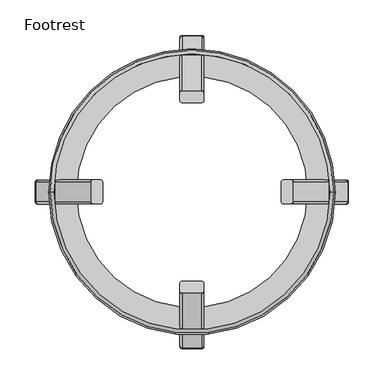
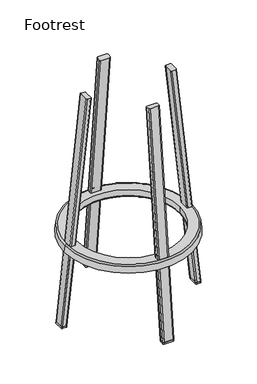
"""IFC4 building model written with IfcOpenShell, lengths in millimetres: furniture geometry, Footrest."""

from ifc_helpers import new_model, si_unit, point, frame, origin, place, context, project, spatial, polyline, circle_curve, ellipse_curve, trimmed, source, transform, mapped, element, save
from ifc_brep_helpers import plane_surface, cylinder_surface, revolved_surface, advanced_brep


def footrest_73dcc5fb(model_context):
    return source(origin(), model_context, "Body", "AdvancedBrep", [
        advanced_brep(
        [(17.0, -206.3178808, 5.0), (14.0, -203.301356, 5.0), (-14.0, -203.301356, 5.0), (-17.0, -206.3178808, 5.0), (-17.0, -217.3784719, 5.0), (-14.0, -220.3949967, 5.0), (14.0, -220.3949967, 5.0), (17.0, -217.3784719, 5.0), (-17.0, -217.9039931, 0.0), (-14.0, -220.9205179, 0.0), (-17.0, -206.843402, 0.0), (-14.0, -203.8268771, 0.0), (14.0, -203.8268771, 0.0), (17.0, -206.843402, 0.0), (17.0, -217.9039931, 0.0), (14.0, -220.9205179, 0.0)],
        [
            (0, 1, ellipse_curve(frame((14.0, -206.3178808, 5.0), z_axis=(0.0, 0.0, 1.0), x_axis=(0.0, -1.0, 0.0)), 3.0165248, 3.0)),
            (1, 2),
            (2, 3, ellipse_curve(frame((-14.1882885, -206.1285552, 5.0), z_axis=(0.0, 0.0, 1.0), x_axis=(0.0, -1.0, 0.0)), 2.8335313, 2.8180089)),
            (3, 4),
            (4, 5, ellipse_curve(frame((-14.0, -217.3784719, 5.0), z_axis=(0.0, 0.0, 1.0), x_axis=(0.0, -1.0, 0.0)), 3.0165248, 3.0)),
            (5, 6),
            (6, 7, ellipse_curve(frame((14.0, -217.3784719, 5.0), z_axis=(0.0, 0.0, 1.0), x_axis=(0.0, -1.0, 0.0)), 3.0165248, 3.0)),
            (7, 0),
            (4, 8),
            (8, 9, ellipse_curve(frame((-14.0, -217.9039931, 0.0), z_axis=(0.0, 0.0, 1.0), x_axis=(0.0, -1.0, 0.0)), 3.0165248, 3.0)),
            (9, 5),
            (3, 10),
            (10, 8),
            (2, 11),
            (11, 10, ellipse_curve(frame((-14.1882885, -206.6540763, 0.0), z_axis=(0.0, 0.0, 1.0), x_axis=(0.0, -1.0, 0.0)), 2.8335313, 2.8180089)),
            (1, 12),
            (12, 11),
            (12, 13, ellipse_curve(frame((14.0, -206.843402, 0.0), z_axis=(0.0, 0.0, -1.0), x_axis=(0.0, -1.0, 0.0)), 3.0165248, 3.0)),
            (13, 14),
            (14, 15, ellipse_curve(frame((14.0, -217.9039931, 0.0), z_axis=(0.0, 0.0, -1.0), x_axis=(0.0, -1.0, 0.0)), 3.0165248, 3.0)),
            (15, 9),
            (0, 13),
            (7, 14),
            (6, 15),
        ],
        [
            plane_surface(frame((-237.3802631, -240.5411086, 5.0), z_axis=(0.0, 0.0, 1.0), x_axis=(0.0, 1.0, 0.0))),
            cylinder_surface(frame((-14.0, -217.9369522, -0.3135854), z_axis=(0.0, -0.10452846326766246, -0.9945218953682724), x_axis=(0.0, -0.9945218953682725, 0.10452846326766249)), 3.0),
            plane_surface(frame((-17.0, -217.9369522, -0.3135854), z_axis=(-1.0, 0.0, 0.0), x_axis=(0.0, 0.9945218953682724, -0.10452846326766255))),
            cylinder_surface(frame((-14.1882885, -206.8099543, -1.48308), z_axis=(0.0, -0.10452846326766246, -0.9945218953682724), x_axis=(-0.9977653042872745, -0.06645012160662113, 0.006984189214775724)), 2.8180089),
            plane_surface(frame((-14.0, -204.0136457, -1.7769839), z_axis=(0.0, 0.9945218953682724, -0.10452846326766246), x_axis=(1.0, 0.0, 0.0))),
            plane_surface(frame((18.6818902, -196.7185949, 0.0), z_axis=(0.0, 0.0, -1.0), x_axis=(0.0, -1.0, 0.0))),
            cylinder_surface(frame((14.0, -206.9972114, -1.4633985), z_axis=(0.0, -0.10452846326766246, -0.9945218953682724), x_axis=(0.0, 0.9945218953682724, -0.10452846326766246)), 3.0),
            plane_surface(frame((17.0, -206.9972114, -1.4633985), z_axis=(1.0, 0.0, 0.0), x_axis=(0.0, -0.9945218953682724, 0.10452846326766246))),
            cylinder_surface(frame((14.0, -217.9369522, -0.3135854), z_axis=(0.0, -0.10452846326766246, -0.9945218953682724), x_axis=(1.0, 0.0, 0.0)), 3.0),
            plane_surface(frame((14.0, -220.9205179, 0.0), z_axis=(0.0, -0.9945218953682724, 0.10452846326766246), x_axis=(-1.0, 0.0, 0.0))),
        ],
        [
            (0, [[1, 2, 3, 4, 5, 6, 7, 8]]),
            (1, [[-5, 9, 10, 11]]),
            (2, [[-4, 12, 13, -9]]),
            (3, [[-3, 14, 15, -12]]),
            (4, [[-2, 16, 17, -14]]),
            (5, [[-10, -13, -15, -17, 18, 19, 20, 21]]),
            (6, [[-1, 22, -18, -16]]),
            (7, [[-8, 23, -19, -22]]),
            (8, [[-7, 24, -20, -23]]),
            (9, [[-6, -11, -21, -24]]),
        ],
    ),
        advanced_brep(
        [(-17.0, 217.9039931, 0.0), (-14.0, 220.9205179, 0.0), (14.0, 220.9205179, 0.0), (17.0, 217.9039931, 0.0), (17.0, 206.843402, 0.0), (14.0, 203.8268771, 0.0), (-14.0, 203.8268771, 0.0), (-17.0, 206.843402, 0.0), (-14.0, 203.301356, 5.0), (-17.0, 206.3178808, 5.0), (14.0, 203.301356, 5.0), (17.0, 206.3178808, 5.0), (17.0, 217.3784719, 5.0), (14.0, 220.3949967, 5.0), (-14.0, 220.3949967, 5.0), (-17.0, 217.3784719, 5.0)],
        [
            (0, 1, ellipse_curve(frame((-14.0, 217.9039931, 0.0), z_axis=(0.0, 0.0, -1.0), x_axis=(0.0, -1.0, 0.0)), 3.0165248, 3.0)),
            (1, 2),
            (2, 3, ellipse_curve(frame((14.0, 217.9039931, 0.0), z_axis=(0.0, 0.0, -1.0), x_axis=(0.0, -1.0, 0.0)), 3.0165248, 3.0)),
            (3, 4),
            (4, 5, ellipse_curve(frame((14.0, 206.843402, 0.0), z_axis=(0.0, 0.0, -1.0), x_axis=(0.0, -1.0, 0.0)), 3.0165248, 3.0)),
            (5, 6),
            (6, 7, ellipse_curve(frame((-14.1882885, 206.6540763, 0.0), z_axis=(0.0, 0.0, -1.0), x_axis=(0.0, -1.0, 0.0)), 2.8335313, 2.8180089)),
            (7, 0),
            (8, 9, ellipse_curve(frame((-14.1882885, 206.1285552, 5.0), z_axis=(0.0, 0.0, -1.0), x_axis=(0.0, -1.0, 0.0)), 2.8335313, 2.8180089)),
            (9, 7),
            (6, 8),
            (10, 8),
            (5, 10),
            (11, 10, ellipse_curve(frame((14.0, 206.3178808, 5.0), z_axis=(0.0, 0.0, -1.0), x_axis=(0.0, -1.0, 0.0)), 3.0165248, 3.0)),
            (4, 11),
            (12, 11),
            (3, 12),
            (13, 12, ellipse_curve(frame((14.0, 217.3784719, 5.0), z_axis=(0.0, 0.0, -1.0), x_axis=(0.0, -1.0, 0.0)), 3.0165248, 3.0)),
            (2, 13),
            (14, 13),
            (1, 14),
            (15, 14, ellipse_curve(frame((-14.0, 217.3784719, 5.0), z_axis=(0.0, 0.0, -1.0), x_axis=(0.0, -1.0, 0.0)), 3.0165248, 3.0)),
            (0, 15),
            (9, 15),
        ],
        [
            plane_surface(frame((18.6818902, 196.7185949, 0.0), z_axis=(0.0, 0.0, -1.0), x_axis=(0.0, 1.0, 0.0))),
            cylinder_surface(frame((-14.1882885, 206.8099543, -1.48308), z_axis=(0.0, -0.10452846326766246, 0.9945218953682724), x_axis=(-0.9977653042872745, 0.06645012160662113, 0.006984189214775724)), 2.8180089),
            plane_surface(frame((-14.0, 204.0136457, -1.7769839), z_axis=(0.0, -0.9945218953682724, -0.10452846326766246), x_axis=(1.0, 0.0, 0.0))),
            cylinder_surface(frame((14.0, 206.9972114, -1.4633985), z_axis=(0.0, -0.10452846326766246, 0.9945218953682724), x_axis=(0.0, -0.9945218953682724, -0.10452846326766246)), 3.0),
            plane_surface(frame((17.0, 206.9972114, -1.4633985), z_axis=(1.0, 0.0, 0.0), x_axis=(0.0, 0.9945218953682724, 0.10452846326766246))),
            cylinder_surface(frame((14.0, 217.9369522, -0.3135854), z_axis=(0.0, -0.10452846326766246, 0.9945218953682724), x_axis=(1.0, 0.0, 0.0)), 3.0),
            plane_surface(frame((14.0, 220.9205179, 0.0), z_axis=(0.0, 0.9945218953682724, 0.10452846326766246), x_axis=(-1.0, 0.0, 0.0))),
            cylinder_surface(frame((-14.0, 217.9369522, -0.3135854), z_axis=(0.0, -0.10452846326766246, 0.9945218953682724), x_axis=(0.0, 0.9945218953682725, 0.10452846326766249)), 3.0),
            plane_surface(frame((-17.0, 217.9369522, -0.3135854), z_axis=(-1.0, 0.0, 0.0), x_axis=(0.0, -0.9945218953682724, -0.10452846326766255))),
            plane_surface(frame((-237.3802631, -240.5411086, 5.0), z_axis=(0.0, 0.0, 1.0), x_axis=(0.0, 1.0, 0.0))),
        ],
        [
            (0, [[1, 2, 3, 4, 5, 6, 7, 8]]),
            (1, [[9, 10, -7, 11]]),
            (2, [[12, -11, -6, 13]]),
            (3, [[14, -13, -5, 15]]),
            (4, [[16, -15, -4, 17]]),
            (5, [[18, -17, -3, 19]]),
            (6, [[20, -19, -2, 21]]),
            (7, [[22, -21, -1, 23]]),
            (8, [[24, -23, -8, -10]]),
            (9, [[-16, -18, -20, -22, -24, -9, -12, -14]]),
        ],
    ),
        advanced_brep(
        [(220.3949967, 14.0, 5.0), (217.3784719, 17.0, 5.0), (206.3178808, 17.0, 5.0), (203.301356, 14.0, 5.0), (203.301356, -14.0, 5.0), (206.3178808, -17.0, 5.0), (217.3784719, -17.0, 5.0), (220.3949967, -14.0, 5.0), (203.8268771, -14.0, 0.0), (206.843402, -17.0, 0.0), (203.8268771, 14.0, 0.0), (206.843402, 17.0, 0.0), (217.9039931, 17.0, 0.0), (220.9205179, 14.0, 0.0), (220.9205179, -14.0, 0.0), (217.9039931, -17.0, 0.0)],
        [
            (0, 1, ellipse_curve(frame((217.3784719, 14.0, 5.0), z_axis=(0.0, 0.0, 1.0), x_axis=(-1.0, 0.0, 0.0)), 3.0165248, 3.0)),
            (1, 2),
            (2, 3, ellipse_curve(frame((206.1285552, 14.1882885, 5.0), z_axis=(0.0, 0.0, 1.0), x_axis=(-1.0, 0.0, 0.0)), 2.8335313, 2.8180089)),
            (3, 4),
            (4, 5, ellipse_curve(frame((206.3178808, -14.0, 5.0), z_axis=(0.0, 0.0, 1.0), x_axis=(-1.0, 0.0, 0.0)), 3.0165248, 3.0)),
            (5, 6),
            (6, 7, ellipse_curve(frame((217.3784719, -14.0, 5.0), z_axis=(0.0, 0.0, 1.0), x_axis=(-1.0, 0.0, 0.0)), 3.0165248, 3.0)),
            (7, 0),
            (4, 8),
            (8, 9, ellipse_curve(frame((206.843402, -14.0, 0.0), z_axis=(0.0, 0.0, 1.0), x_axis=(-1.0, 0.0, 0.0)), 3.0165248, 3.0)),
            (9, 5),
            (3, 10),
            (10, 8),
            (2, 11),
            (11, 10, ellipse_curve(frame((206.6540763, 14.1882885, 0.0), z_axis=(0.0, 0.0, 1.0), x_axis=(-1.0, 0.0, 0.0)), 2.8335313, 2.8180089)),
            (1, 12),
            (12, 11),
            (12, 13, ellipse_curve(frame((217.9039931, 14.0, 0.0), z_axis=(0.0, 0.0, -1.0), x_axis=(-1.0, 0.0, 0.0)), 3.0165248, 3.0)),
            (13, 14),
            (14, 15, ellipse_curve(frame((217.9039931, -14.0, 0.0), z_axis=(0.0, 0.0, -1.0), x_axis=(-1.0, 0.0, 0.0)), 3.0165248, 3.0)),
            (15, 9),
            (0, 13),
            (7, 14),
            (6, 15),
        ],
        [
            plane_surface(frame((-237.3802631, -240.5411086, 5.0), z_axis=(0.0, 0.0, 1.0), x_axis=(0.0, 1.0, 0.0))),
            cylinder_surface(frame((206.9972114, -14.0, -1.4633985), z_axis=(-0.10452846326766246, 0.0, 0.9945218953682724), x_axis=(-0.9945218953682724, 0.0, -0.10452846326766246)), 3.0),
            plane_surface(frame((204.0136457, 14.0, -1.7769839), z_axis=(-0.9945218953682724, 0.0, -0.10452846326766246), x_axis=(0.0, -1.0, 0.0))),
            cylinder_surface(frame((206.8099543, 14.1882885, -1.48308), z_axis=(-0.10452846326766246, 0.0, 0.9945218953682724), x_axis=(0.06645012160662157, 0.9977653042872745, 0.006984189214775724)), 2.8180089),
            plane_surface(frame((217.9369522, 17.0, -0.3135854), z_axis=(0.0, 1.0, 0.0), x_axis=(-0.9945218953682724, 0.0, -0.10452846326766255))),
            plane_surface(frame((196.7185949, -18.6818902, 0.0), z_axis=(0.0, 0.0, -1.0), x_axis=(1.0, 0.0, 0.0))),
            cylinder_surface(frame((217.9369522, 14.0, -0.3135854), z_axis=(-0.10452846326766246, 0.0, 0.9945218953682724), x_axis=(0.9945218953682725, 0.0, 0.10452846326766249)), 3.0),
            plane_surface(frame((220.9205179, -14.0, 0.0), z_axis=(0.9945218953682724, 0.0, 0.10452846326766246), x_axis=(0.0, 1.0, 0.0))),
            cylinder_surface(frame((217.9369522, -14.0, -0.3135854), z_axis=(-0.10452846326766246, 0.0, 0.9945218953682724), x_axis=(0.0, -1.0, 0.0)), 3.0),
            plane_surface(frame((206.9972114, -17.0, -1.4633985), z_axis=(0.0, -1.0, 0.0), x_axis=(0.9945218953682724, 0.0, 0.10452846326766246))),
        ],
        [
            (0, [[1, 2, 3, 4, 5, 6, 7, 8]]),
            (1, [[-5, 9, 10, 11]]),
            (2, [[-4, 12, 13, -9]]),
            (3, [[-3, 14, 15, -12]]),
            (4, [[-2, 16, 17, -14]]),
            (5, [[18, 19, 20, 21, -10, -13, -15, -17]]),
            (6, [[-1, 22, -18, -16]]),
            (7, [[-8, 23, -19, -22]]),
            (8, [[-7, 24, -20, -23]]),
            (9, [[-6, -11, -21, -24]]),
        ],
    ),
        advanced_brep(
        [(-220.3949967, -14.0, 5.0), (-220.3949967, 14.0, 5.0), (-220.9205179, 14.0, 0.0), (-220.9205179, -14.0, 0.0), (-217.3784719, -17.0, 5.0), (-217.9039931, -17.0, 0.0), (-206.3178808, -17.0, 5.0), (-206.843402, -17.0, 0.0), (-203.301356, -14.0, 5.0), (-203.8268771, -14.0, 0.0), (-217.9039931, 17.0, 0.0), (-206.843402, 17.0, 0.0), (-203.8268771, 14.0, 0.0), (-203.301356, 14.0, 5.0), (-206.3178808, 17.0, 5.0), (-217.3784719, 17.0, 5.0)],
        [
            (0, 1),
            (1, 2),
            (2, 3),
            (3, 0),
            (4, 0, ellipse_curve(frame((-217.3784719, -14.0, 5.0), z_axis=(0.0, 0.0, -1.0), x_axis=(-1.0, 0.0, 0.0)), 3.0165248, 3.0)),
            (3, 5, ellipse_curve(frame((-217.9039931, -14.0, 0.0), z_axis=(0.0, 0.0, 1.0), x_axis=(-1.0, 0.0, 0.0)), 3.0165248, 3.0)),
            (5, 4),
            (6, 4),
            (5, 7),
            (7, 6),
            (8, 6, ellipse_curve(frame((-206.3178808, -14.0, 5.0), z_axis=(0.0, 0.0, -1.0), x_axis=(-1.0, 0.0, 0.0)), 3.0165248, 3.0)),
            (7, 9, ellipse_curve(frame((-206.843402, -14.0, 0.0), z_axis=(0.0, 0.0, 1.0), x_axis=(-1.0, 0.0, 0.0)), 3.0165248, 3.0)),
            (9, 8),
            (2, 10, ellipse_curve(frame((-217.9039931, 14.0, 0.0), z_axis=(0.0, 0.0, -1.0), x_axis=(-1.0, 0.0, 0.0)), 3.0165248, 3.0)),
            (10, 11),
            (11, 12, ellipse_curve(frame((-206.6540763, 14.1882885, 0.0), z_axis=(0.0, 0.0, -1.0), x_axis=(-1.0, 0.0, 0.0)), 2.8335313, 2.8180089)),
            (12, 9),
            (13, 8),
            (12, 13),
            (14, 13, ellipse_curve(frame((-206.1285552, 14.1882885, 5.0), z_axis=(0.0, 0.0, -1.0), x_axis=(-1.0, 0.0, 0.0)), 2.8335313, 2.8180089)),
            (11, 14),
            (15, 14),
            (10, 15),
            (1, 15, ellipse_curve(frame((-217.3784719, 14.0, 5.0), z_axis=(0.0, 0.0, -1.0), x_axis=(-1.0, 0.0, 0.0)), 3.0165248, 3.0)),
        ],
        [
            plane_surface(frame((-220.9205179, -14.0, 0.0), z_axis=(-0.9945218953682724, 0.0, 0.10452846326766246), x_axis=(0.0, 1.0, 0.0))),
            cylinder_surface(frame((-217.9369522, -14.0, -0.3135854), z_axis=(-0.10452846326766246, 0.0, -0.9945218953682724), x_axis=(0.0, -1.0, 0.0)), 3.0),
            plane_surface(frame((-206.9972114, -17.0, -1.4633985), z_axis=(0.0, -1.0, 0.0), x_axis=(-0.9945218953682724, 0.0, 0.10452846326766246))),
            cylinder_surface(frame((-206.9972114, -14.0, -1.4633985), z_axis=(-0.10452846326766246, 0.0, -0.9945218953682724), x_axis=(0.9945218953682724, 0.0, -0.10452846326766246)), 3.0),
            plane_surface(frame((-196.7185949, -18.6818902, 0.0), z_axis=(0.0, 0.0, -1.0), x_axis=(-1.0, 0.0, 0.0))),
            plane_surface(frame((-204.0136457, 14.0, -1.7769839), z_axis=(0.9945218953682724, 0.0, -0.10452846326766246), x_axis=(0.0, -1.0, 0.0))),
            cylinder_surface(frame((-206.8099543, 14.1882885, -1.48308), z_axis=(-0.10452846326766246, 0.0, -0.9945218953682724), x_axis=(-0.06645012160662069, 0.9977653042872746, 0.006984189214775725)), 2.8180089),
            plane_surface(frame((-217.9369522, 17.0, -0.3135854), z_axis=(0.0, 1.0, 0.0), x_axis=(0.9945218953682724, 0.0, -0.10452846326766255))),
            cylinder_surface(frame((-217.9369522, 14.0, -0.3135854), z_axis=(-0.10452846326766246, 0.0, -0.9945218953682724), x_axis=(-0.9945218953682725, 0.0, 0.10452846326766249)), 3.0),
            plane_surface(frame((-237.3802631, -240.5411086, 5.0), z_axis=(0.0, 0.0, 1.0), x_axis=(0.0, 1.0, 0.0))),
        ],
        [
            (0, [[1, 2, 3, 4]]),
            (1, [[5, -4, 6, 7]]),
            (2, [[8, -7, 9, 10]]),
            (3, [[11, -10, 12, 13]]),
            (4, [[14, 15, 16, 17, -12, -9, -6, -3]]),
            (5, [[18, -13, -17, 19]]),
            (6, [[20, -19, -16, 21]]),
            (7, [[22, -21, -15, 23]]),
            (8, [[24, -23, -14, -2]]),
            (9, [[-11, -18, -20, -22, -24, -1, -5, -8]]),
        ],
    ),
        advanced_brep(
        [(202.077074, 0.0, 239.5), (199.9726095, 0.0, 259.5226423), (-199.9726095, 0.0, 259.5226423), (-202.077074, 0.0, 239.5), (163.0007615, 0.0, 244.412738), (168.0, 0.0, 239.5), (-168.0, 0.0, 239.5), (-163.0007615, 0.0, 244.412738), (162.7461399, 0.0, 264.0), (-162.7461399, 0.0, 264.0), (195.0, 0.0, 264.0), (-195.0, 0.0, 264.0)],
        [
            (0, 1),
            (1, 2, circle_curve(frame((0.0, 0.0, 259.5226423), z_axis=(0.0, 0.0, -1.0), x_axis=(1.0, 0.0, 0.0)), 199.9726095)),
            (2, 3),
            (3, 0, circle_curve(frame((0.0, 0.0, 239.5), z_axis=(0.0, 0.0, 1.0), x_axis=(1.0, 0.0, 0.0)), 202.077074)),
            (4, 5, circle_curve(frame((167.977827, 0.0, 244.4774366), z_axis=(0.0, -1.0, 0.0), x_axis=(1.0, 0.0, 0.0)), 4.977486)),
            (5, 6, circle_curve(frame((0.0, 0.0, 239.5), z_axis=(0.0, 0.0, -1.0), x_axis=(1.0, 0.0, 0.0)), 168.0)),
            (6, 7, circle_curve(frame((-167.977827, 0.0, 244.4774366), z_axis=(0.0, -1.0, 0.0), x_axis=(-1.0, 0.0, 0.0)), 4.977486)),
            (7, 4, circle_curve(frame((0.0, 0.0, 244.412738), z_axis=(0.0, 0.0, 1.0), x_axis=(1.0, 0.0, 0.0)), 163.0007615)),
            (4, 8),
            (8, 9, circle_curve(frame((0.0, 0.0, 264.0), z_axis=(0.0, 0.0, 1.0), x_axis=(1.0, 0.0, 0.0)), 162.7461399)),
            (9, 7),
            (7, 4, circle_curve(frame((0.0, 0.0, 244.412738), z_axis=(0.0, 0.0, -1.0), x_axis=(1.0, 0.0, 0.0)), 163.0007615)),
            (1, 10, circle_curve(frame((195.0, 0.0, 259.0), z_axis=(0.0, -0.9999999999999999, 0.0), x_axis=(0.9999999999999999, 0.0, 0.0)), 5.0)),
            (10, 11, circle_curve(frame((0.0, 0.0, 264.0), z_axis=(0.0, 0.0, -1.0), x_axis=(0.9999999999999999, 0.0, 0.0)), 195.0)),
            (11, 2, circle_curve(frame((-195.0, 0.0, 259.0), z_axis=(0.0, -0.9999999999999999, 0.0), x_axis=(-0.9999999999999999, 0.0, 0.0)), 5.0)),
            (1, 2, circle_curve(frame((0.0, 0.0, 259.5226423), z_axis=(0.0, 0.0, 1.0), x_axis=(0.9999999999999999, 0.0, 0.0)), 199.9726095)),
            (11, 10, circle_curve(frame((0.0, 0.0, 264.0), z_axis=(0.0, 0.0, -1.0), x_axis=(0.9999999999999999, 0.0, 0.0)), 195.0)),
            (8, 9, circle_curve(frame((0.0, 0.0, 264.0), z_axis=(0.0, 0.0, -1.0), x_axis=(1.0, 0.0, 0.0)), 162.7461399)),
            (6, 5, circle_curve(frame((0.0, 0.0, 239.5), z_axis=(0.0, 0.0, -1.0), x_axis=(1.0, 0.0, 0.0)), 168.0)),
            (3, 0, circle_curve(frame((0.0, 0.0, 239.5), z_axis=(0.0, 0.0, -1.0), x_axis=(1.0, 0.0, 0.0)), 202.077074)),
        ],
        [
            revolved_surface(polyline([(199.9726094928645, 0.0, 259.5226422999999), (202.077074, 0.0, 239.5)]), (0.0, 0.0, 2162.1349297), (0.0, 0.0, -1.0)),
            revolved_surface(trimmed(ellipse_curve(frame((167.977827, 0.0, 244.4774366), z_axis=(0.0, -1.0, 0.0), x_axis=(1.0, 0.0, 0.0)), 4.977486, 4.977486), [point((163.0007615, 0.0, 244.412738))], [point((168.0, 0.0, 239.5))], True, "CARTESIAN"), (0.0, 0.0, 244.4774366), (0.0, 0.0, 1.0)),
            revolved_surface(polyline([(163.0007615, 0.0, 244.41273799999908), (162.7461398945695, 0.0, 264.0)]), (0.0, 0.0, 12783.5632013), (0.0, 0.0, -1.0)),
            revolved_surface(trimmed(ellipse_curve(frame((195.0, 0.0, 259.0), z_axis=(0.0, -0.9999999999999999, 0.0), x_axis=(0.9999999999999999, 0.0, 0.0)), 5.0, 5.0), [point((199.9726095, 0.0, 259.5226423))], [point((195.0, 0.0, 264.0))], True, "CARTESIAN"), (0.0, 0.0, 259.0), (0.0, 0.0, 1.0)),
            plane_surface(frame((162.7461399, 0.0, 264.0), z_axis=(0.0, 0.0, 1.0), x_axis=(1.0, 0.0, 0.0))),
            plane_surface(frame((202.077074, 0.0, 239.5), z_axis=(0.0, 0.0, -1.0), x_axis=(-1.0, 0.0, 0.0))),
        ],
        [
            (0, [[1, 2, 3, 4]]),
            (1, [[5, 6, 7, 8]]),
            (2, [[9, 10, 11, 12]]),
            (3, [[13, 14, 15, -2]]),
            (3, [[-13, 16, -15, 17]]),
            (4, [[-17, -14], [-10, 18]]),
            (2, [[-9, -8, -11, -18]]),
            (1, [[-5, -12, -7, 19]]),
            (5, [[20, -4], [-19, -6]]),
            (0, [[-1, -20, -3, -16]]),
        ],
    ),
        advanced_brep(
        [(-17.0, 190.1564749, 264.0), (-14.0, 193.1729998, 264.0), (14.0, 193.1729998, 264.0), (17.0, 190.1564749, 264.0), (17.0, 179.0958839, 264.0), (14.0, 176.079359, 264.0), (-14.0, 176.079359, 264.0), (-17.0, 179.0958839, 264.0), (17.0, 140.1339623, 739.9324165), (17.0, 129.1942214, 738.7826034), (14.0, 126.2106557, 738.469018), (14.0, 143.117528, 740.2460019), (-14.0, 143.117528, 740.2460019), (-17.0, 140.1339623, 739.9324165), (-14.0, 126.2106557, 738.469018), (-17.0, 129.1942214, 738.7826034)],
        [
            (0, 1, ellipse_curve(frame((-14.0, 190.1564749, 264.0), z_axis=(0.0, 0.0, -1.0), x_axis=(0.0, -1.0, 0.0)), 3.0165248, 3.0)),
            (1, 2),
            (2, 3, ellipse_curve(frame((14.0, 190.1564749, 264.0), z_axis=(0.0, 0.0, -1.0), x_axis=(0.0, -1.0, 0.0)), 3.0165248, 3.0)),
            (3, 4),
            (4, 5, ellipse_curve(frame((14.0, 179.0958839, 264.0), z_axis=(0.0, 0.0, -1.0), x_axis=(0.0, -1.0, 0.0)), 3.0165248, 3.0)),
            (5, 6),
            (6, 7, ellipse_curve(frame((-14.1882885, 178.9065582, 264.0), z_axis=(0.0, 0.0, -1.0), x_axis=(0.0, -1.0, 0.0)), 2.8335313, 2.8180089)),
            (7, 0),
            (3, 8),
            (8, 9),
            (9, 4),
            (9, 10, circle_curve(frame((14.0, 129.1942214, 738.7826034), z_axis=(0.0, 0.10452846326766246, -0.9945218953682724), x_axis=(0.0, -0.9945218953682724, -0.10452846326766246)), 3.0)),
            (10, 5),
            (2, 11),
            (11, 8, circle_curve(frame((14.0, 140.1339623, 739.9324165), z_axis=(0.0, 0.10452846326766246, -0.9945218953682724), x_axis=(1.0, 0.0, 0.0)), 3.0)),
            (1, 12),
            (12, 11),
            (0, 13),
            (13, 12, circle_curve(frame((-14.0, 140.1339623, 739.9324165), z_axis=(0.0, 0.10452846326766246, -0.9945218953682724), x_axis=(0.0, 0.9945218953682725, 0.10452846326766249)), 3.0)),
            (10, 14),
            (14, 6),
            (14, 15, circle_curve(frame((-14.1882885, 129.0069644, 738.7629219), z_axis=(0.0, 0.10452846326766246, -0.9945218953682724), x_axis=(-0.9977653042872745, 0.06645012160662113, 0.006984189214775724)), 2.8180089)),
            (15, 7),
            (15, 13),
        ],
        [
            plane_surface(frame((162.7461399, 0.0, 264.0), z_axis=(0.0, 0.0, -1.0), x_axis=(1.0, 0.0, 0.0))),
            plane_surface(frame((17.0, 206.9972114, -1.4633985), z_axis=(1.0, 0.0, 0.0), x_axis=(0.0, 0.9945218953682724, 0.10452846326766246))),
            cylinder_surface(frame((14.0, 206.9972114, -1.4633985), z_axis=(0.0, -0.10452846326766246, 0.9945218953682724), x_axis=(0.0, -0.9945218953682724, -0.10452846326766246)), 3.0),
            cylinder_surface(frame((14.0, 217.9369522, -0.3135854), z_axis=(0.0, -0.10452846326766246, 0.9945218953682724), x_axis=(1.0, 0.0, 0.0)), 3.0),
            plane_surface(frame((14.0, 220.9205179, 0.0), z_axis=(0.0, 0.9945218953682724, 0.10452846326766246), x_axis=(-1.0, 0.0, 0.0))),
            cylinder_surface(frame((-14.0, 217.9369522, -0.3135854), z_axis=(0.0, -0.10452846326766246, 0.9945218953682724), x_axis=(0.0, 0.9945218953682725, 0.10452846326766249)), 3.0),
            plane_surface(frame((-14.0, 204.0136457, -1.7769839), z_axis=(0.0, -0.9945218953682724, -0.10452846326766246), x_axis=(1.0, 0.0, 0.0))),
            cylinder_surface(frame((-14.1882885, 206.8099543, -1.48308), z_axis=(0.0, -0.10452846326766246, 0.9945218953682724), x_axis=(-0.9977653042872745, 0.06645012160662113, 0.006984189214775724)), 2.8180089),
            plane_surface(frame((-17.0, 217.9369522, -0.3135854), z_axis=(-1.0, 0.0, 0.0), x_axis=(0.0, -0.9945218953682724, -0.10452846326766255))),
            plane_surface(frame((-0.0132768, 134.657144, 739.3567797), z_axis=(0.0, -0.1045284632676626, 0.9945218953682724), x_axis=(1.0, 0.0, 0.0))),
        ],
        [
            (0, [[1, 2, 3, 4, 5, 6, 7, 8]]),
            (1, [[-4, 9, 10, 11]]),
            (2, [[-5, -11, 12, 13]]),
            (3, [[-3, 14, 15, -9]]),
            (4, [[-2, 16, 17, -14]]),
            (5, [[-1, 18, 19, -16]]),
            (6, [[-6, -13, 20, 21]]),
            (7, [[-7, -21, 22, 23]]),
            (8, [[-8, -23, 24, -18]]),
            (9, [[-24, -22, -20, -12, -10, -15, -17, -19]]),
        ],
    ),
        advanced_brep(
        [(14.0, -203.301356, 5.0), (17.0, -206.3178808, 5.0), (17.0, -217.3784719, 5.0), (14.0, -220.3949967, 5.0), (-14.0, -220.3949967, 5.0), (-17.0, -217.3784719, 5.0), (-17.0, -206.3178808, 5.0), (-14.0, -203.301356, 5.0), (-14.0, -195.7480535, 239.5), (-17.0, -192.7315287, 239.5), (14.0, -195.7480535, 239.5), (17.0, -192.7315287, 239.5), (17.0, -181.6709376, 239.5), (14.0, -178.6544128, 239.5), (-14.0, -178.6544128, 239.5), (-17.0, -181.6709376, 239.5)],
        [
            (0, 1, ellipse_curve(frame((14.0, -206.3178808, 5.0), z_axis=(0.0, 0.0, -1.0), x_axis=(0.0, -1.0, 0.0)), 3.0165248, 3.0)),
            (1, 2),
            (2, 3, ellipse_curve(frame((14.0, -217.3784719, 5.0), z_axis=(0.0, 0.0, -1.0), x_axis=(0.0, -1.0, 0.0)), 3.0165248, 3.0)),
            (3, 4),
            (4, 5, ellipse_curve(frame((-14.0, -217.3784719, 5.0), z_axis=(0.0, 0.0, -1.0), x_axis=(0.0, -1.0, 0.0)), 3.0165248, 3.0)),
            (5, 6),
            (6, 7, ellipse_curve(frame((-14.1882885, -206.1285552, 5.0), z_axis=(0.0, 0.0, -1.0), x_axis=(0.0, -1.0, 0.0)), 2.8335313, 2.8180089)),
            (7, 0),
            (4, 8),
            (8, 9, ellipse_curve(frame((-14.0, -192.7315287, 239.5), z_axis=(0.0, 0.0, -1.0), x_axis=(0.0, -1.0, 0.0)), 3.0165248, 3.0)),
            (9, 5),
            (3, 10),
            (10, 8),
            (2, 11),
            (11, 10, ellipse_curve(frame((14.0, -192.7315287, 239.5), z_axis=(0.0, 0.0, -1.0), x_axis=(0.0, -1.0, 0.0)), 3.0165248, 3.0)),
            (1, 12),
            (12, 11),
            (0, 13),
            (13, 12, ellipse_curve(frame((14.0, -181.6709376, 239.5), z_axis=(0.0, 0.0, -1.0), x_axis=(0.0, -1.0, 0.0)), 3.0165248, 3.0)),
            (7, 14),
            (14, 13),
            (6, 15),
            (15, 14, ellipse_curve(frame((-14.1882885, -181.481612, 239.5), z_axis=(0.0, 0.0, -1.0), x_axis=(0.0, -1.0, 0.0)), 2.8335313, 2.8180089)),
            (9, 15),
        ],
        [
            plane_surface(frame((-237.3802631, 229.2159967, 5.0), z_axis=(0.0, 0.0, -1.0), x_axis=(0.0, -1.0, 0.0))),
            cylinder_surface(frame((-14.0, -217.9369522, -0.3135854), z_axis=(0.0, -0.10452846326766246, -0.9945218953682724), x_axis=(0.0, -0.9945218953682725, 0.10452846326766249)), 3.0),
            plane_surface(frame((14.0, -220.9205179, 0.0), z_axis=(0.0, -0.9945218953682724, 0.10452846326766246), x_axis=(-1.0, 0.0, 0.0))),
            cylinder_surface(frame((14.0, -217.9369522, -0.3135854), z_axis=(0.0, -0.10452846326766246, -0.9945218953682724), x_axis=(1.0, 0.0, 0.0)), 3.0),
            plane_surface(frame((17.0, -206.9972114, -1.4633985), z_axis=(1.0, 0.0, 0.0), x_axis=(0.0, -0.9945218953682724, 0.10452846326766246))),
            cylinder_surface(frame((14.0, -206.9972114, -1.4633985), z_axis=(0.0, -0.10452846326766246, -0.9945218953682724), x_axis=(0.0, 0.9945218953682724, -0.10452846326766246)), 3.0),
            plane_surface(frame((-14.0, -204.0136457, -1.7769839), z_axis=(0.0, 0.9945218953682724, -0.10452846326766246), x_axis=(1.0, 0.0, 0.0))),
            cylinder_surface(frame((-14.1882885, -206.8099543, -1.48308), z_axis=(0.0, -0.10452846326766246, -0.9945218953682724), x_axis=(-0.9977653042872745, -0.06645012160662113, 0.006984189214775724)), 2.8180089),
            plane_surface(frame((-17.0, -217.9369522, -0.3135854), z_axis=(-1.0, 0.0, 0.0), x_axis=(0.0, 0.9945218953682724, -0.10452846326766255))),
            plane_surface(frame((202.077074, 0.0, 239.5), z_axis=(0.0, 0.0, 1.0), x_axis=(-1.0, 0.0, 0.0))),
        ],
        [
            (0, [[1, 2, 3, 4, 5, 6, 7, 8]]),
            (1, [[-5, 9, 10, 11]]),
            (2, [[-4, 12, 13, -9]]),
            (3, [[-3, 14, 15, -12]]),
            (4, [[-2, 16, 17, -14]]),
            (5, [[-1, 18, 19, -16]]),
            (6, [[-8, 20, 21, -18]]),
            (7, [[-7, 22, 23, -20]]),
            (8, [[-6, -11, 24, -22]]),
            (9, [[-19, -21, -23, -24, -10, -13, -15, -17]]),
        ],
    ),
        advanced_brep(
        [(-14.0, 220.3949967, 5.0), (-17.0, 217.3784719, 5.0), (-17.0, 192.7315287, 239.5), (-14.0, 195.7480535, 239.5), (14.0, 220.3949967, 5.0), (14.0, 195.7480535, 239.5), (17.0, 217.3784719, 5.0), (17.0, 192.7315287, 239.5), (17.0, 206.3178808, 5.0), (17.0, 181.6709376, 239.5), (-17.0, 181.6709376, 239.5), (-14.0, 178.6544128, 239.5), (14.0, 178.6544128, 239.5), (14.0, 203.301356, 5.0), (-14.0, 203.301356, 5.0), (-17.0, 206.3178808, 5.0)],
        [
            (0, 1, ellipse_curve(frame((-14.0, 217.3784719, 5.0), z_axis=(0.0, 0.0, 1.0), x_axis=(0.0, -1.0, 0.0)), 3.0165248, 3.0)),
            (1, 2),
            (2, 3, ellipse_curve(frame((-14.0, 192.7315287, 239.5), z_axis=(0.0, 0.0, -1.0), x_axis=(0.0, -1.0, 0.0)), 3.0165248, 3.0)),
            (3, 0),
            (4, 0),
            (3, 5),
            (5, 4),
            (6, 4, ellipse_curve(frame((14.0, 217.3784719, 5.0), z_axis=(0.0, 0.0, 1.0), x_axis=(0.0, -1.0, 0.0)), 3.0165248, 3.0)),
            (5, 7, ellipse_curve(frame((14.0, 192.7315287, 239.5), z_axis=(0.0, 0.0, -1.0), x_axis=(0.0, -1.0, 0.0)), 3.0165248, 3.0)),
            (7, 6),
            (8, 6),
            (7, 9),
            (9, 8),
            (2, 10),
            (10, 11, ellipse_curve(frame((-14.1882885, 181.481612, 239.5), z_axis=(0.0, 0.0, 1.0), x_axis=(0.0, -1.0, 0.0)), 2.8335313, 2.8180089)),
            (11, 12),
            (12, 9, ellipse_curve(frame((14.0, 181.6709376, 239.5), z_axis=(0.0, 0.0, 1.0), x_axis=(0.0, -1.0, 0.0)), 3.0165248, 3.0)),
            (13, 8, ellipse_curve(frame((14.0, 206.3178808, 5.0), z_axis=(0.0, 0.0, 1.0), x_axis=(0.0, -1.0, 0.0)), 3.0165248, 3.0)),
            (12, 13),
            (14, 13),
            (11, 14),
            (15, 14, ellipse_curve(frame((-14.1882885, 206.1285552, 5.0), z_axis=(0.0, 0.0, 1.0), x_axis=(0.0, -1.0, 0.0)), 2.8335313, 2.8180089)),
            (10, 15),
            (1, 15),
        ],
        [
            cylinder_surface(frame((-14.0, 217.9369522, -0.3135854), z_axis=(0.0, -0.10452846326766246, 0.9945218953682724), x_axis=(0.0, 0.9945218953682725, 0.10452846326766249)), 3.0),
            plane_surface(frame((14.0, 220.9205179, 0.0), z_axis=(0.0, 0.9945218953682724, 0.10452846326766246), x_axis=(-1.0, 0.0, 0.0))),
            cylinder_surface(frame((14.0, 217.9369522, -0.3135854), z_axis=(0.0, -0.10452846326766246, 0.9945218953682724), x_axis=(1.0, 0.0, 0.0)), 3.0),
            plane_surface(frame((17.0, 206.9972114, -1.4633985), z_axis=(1.0, 0.0, 0.0), x_axis=(0.0, 0.9945218953682724, 0.10452846326766246))),
            plane_surface(frame((202.077074, 0.0, 239.5), z_axis=(0.0, 0.0, 1.0), x_axis=(-1.0, 0.0, 0.0))),
            cylinder_surface(frame((14.0, 206.9972114, -1.4633985), z_axis=(0.0, -0.10452846326766246, 0.9945218953682724), x_axis=(0.0, -0.9945218953682724, -0.10452846326766246)), 3.0),
            plane_surface(frame((-14.0, 204.0136457, -1.7769839), z_axis=(0.0, -0.9945218953682724, -0.10452846326766246), x_axis=(1.0, 0.0, 0.0))),
            cylinder_surface(frame((-14.1882885, 206.8099543, -1.48308), z_axis=(0.0, -0.10452846326766246, 0.9945218953682724), x_axis=(-0.9977653042872745, 0.06645012160662113, 0.006984189214775724)), 2.8180089),
            plane_surface(frame((-17.0, 217.9369522, -0.3135854), z_axis=(-1.0, 0.0, 0.0), x_axis=(0.0, -0.9945218953682724, -0.10452846326766255))),
            plane_surface(frame((-237.3802631, 229.2159967, 5.0), z_axis=(0.0, 0.0, -1.0), x_axis=(0.0, -1.0, 0.0))),
        ],
        [
            (0, [[1, 2, 3, 4]]),
            (1, [[5, -4, 6, 7]]),
            (2, [[8, -7, 9, 10]]),
            (3, [[11, -10, 12, 13]]),
            (4, [[-3, 14, 15, 16, 17, -12, -9, -6]]),
            (5, [[18, -13, -17, 19]]),
            (6, [[20, -19, -16, 21]]),
            (7, [[22, -21, -15, 23]]),
            (8, [[24, -23, -14, -2]]),
            (9, [[-11, -18, -20, -22, -24, -1, -5, -8]]),
        ],
    ),
        advanced_brep(
        [(217.3784719, 17.0, 5.0), (220.3949967, 14.0, 5.0), (220.3949967, -14.0, 5.0), (217.3784719, -17.0, 5.0), (206.3178808, -17.0, 5.0), (203.301356, -14.0, 5.0), (203.301356, 14.0, 5.0), (206.3178808, 17.0, 5.0), (181.6709376, -17.0, 239.5), (178.6544128, -14.0, 239.5), (192.7315287, -17.0, 239.5), (195.7480535, -14.0, 239.5), (195.7480535, 14.0, 239.5), (192.7315287, 17.0, 239.5), (181.6709376, 17.0, 239.5), (178.6544128, 14.0, 239.5)],
        [
            (0, 1, ellipse_curve(frame((217.3784719, 14.0, 5.0), z_axis=(0.0, 0.0, -1.0), x_axis=(-1.0, 0.0, 0.0)), 3.0165248, 3.0)),
            (1, 2),
            (2, 3, ellipse_curve(frame((217.3784719, -14.0, 5.0), z_axis=(0.0, 0.0, -1.0), x_axis=(-1.0, 0.0, 0.0)), 3.0165248, 3.0)),
            (3, 4),
            (4, 5, ellipse_curve(frame((206.3178808, -14.0, 5.0), z_axis=(0.0, 0.0, -1.0), x_axis=(-1.0, 0.0, 0.0)), 3.0165248, 3.0)),
            (5, 6),
            (6, 7, ellipse_curve(frame((206.1285552, 14.1882885, 5.0), z_axis=(0.0, 0.0, -1.0), x_axis=(-1.0, 0.0, 0.0)), 2.8335313, 2.8180089)),
            (7, 0),
            (4, 8),
            (8, 9, ellipse_curve(frame((181.6709376, -14.0, 239.5), z_axis=(0.0, 0.0, -1.0), x_axis=(-1.0, 0.0, 0.0)), 3.0165248, 3.0)),
            (9, 5),
            (3, 10),
            (10, 8),
            (2, 11),
            (11, 10, ellipse_curve(frame((192.7315287, -14.0, 239.5), z_axis=(0.0, 0.0, -1.0), x_axis=(-1.0, 0.0, 0.0)), 3.0165248, 3.0)),
            (1, 12),
            (12, 11),
            (0, 13),
            (13, 12, ellipse_curve(frame((192.7315287, 14.0, 239.5), z_axis=(0.0, 0.0, -1.0), x_axis=(-1.0, 0.0, 0.0)), 3.0165248, 3.0)),
            (7, 14),
            (14, 13),
            (6, 15),
            (15, 14, ellipse_curve(frame((181.481612, 14.1882885, 239.5), z_axis=(0.0, 0.0, -1.0), x_axis=(-1.0, 0.0, 0.0)), 2.8335313, 2.8180089)),
            (9, 15),
        ],
        [
            plane_surface(frame((-237.3802631, 229.2159967, 5.0), z_axis=(0.0, 0.0, -1.0), x_axis=(0.0, -1.0, 0.0))),
            cylinder_surface(frame((206.9972114, -14.0, -1.4633985), z_axis=(-0.10452846326766246, 0.0, 0.9945218953682724), x_axis=(-0.9945218953682724, 0.0, -0.10452846326766246)), 3.0),
            plane_surface(frame((206.9972114, -17.0, -1.4633985), z_axis=(0.0, -1.0, 0.0), x_axis=(0.9945218953682724, 0.0, 0.10452846326766246))),
            cylinder_surface(frame((217.9369522, -14.0, -0.3135854), z_axis=(-0.10452846326766246, 0.0, 0.9945218953682724), x_axis=(0.0, -1.0, 0.0)), 3.0),
            plane_surface(frame((220.9205179, -14.0, 0.0), z_axis=(0.9945218953682724, 0.0, 0.10452846326766246), x_axis=(0.0, 1.0, 0.0))),
            cylinder_surface(frame((217.9369522, 14.0, -0.3135854), z_axis=(-0.10452846326766246, 0.0, 0.9945218953682724), x_axis=(0.9945218953682725, 0.0, 0.10452846326766249)), 3.0),
            plane_surface(frame((217.9369522, 17.0, -0.3135854), z_axis=(0.0, 1.0, 0.0), x_axis=(-0.9945218953682724, 0.0, -0.10452846326766255))),
            cylinder_surface(frame((206.8099543, 14.1882885, -1.48308), z_axis=(-0.10452846326766246, 0.0, 0.9945218953682724), x_axis=(0.06645012160662157, 0.9977653042872745, 0.006984189214775724)), 2.8180089),
            plane_surface(frame((204.0136457, 14.0, -1.7769839), z_axis=(-0.9945218953682724, 0.0, -0.10452846326766246), x_axis=(0.0, -1.0, 0.0))),
            plane_surface(frame((202.077074, 0.0, 239.5), z_axis=(0.0, 0.0, 1.0), x_axis=(-1.0, 0.0, 0.0))),
        ],
        [
            (0, [[1, 2, 3, 4, 5, 6, 7, 8]]),
            (1, [[-5, 9, 10, 11]]),
            (2, [[-4, 12, 13, -9]]),
            (3, [[-3, 14, 15, -12]]),
            (4, [[-2, 16, 17, -14]]),
            (5, [[-1, 18, 19, -16]]),
            (6, [[-8, 20, 21, -18]]),
            (7, [[-7, 22, 23, -20]]),
            (8, [[-6, -11, 24, -22]]),
            (9, [[-19, -21, -23, -24, -10, -13, -15, -17]]),
        ],
    ),
        advanced_brep(
        [(-181.6709376, -17.0, 239.5), (-178.6544128, -14.0, 239.5), (-178.6544128, 14.0, 239.5), (-181.6709376, 17.0, 239.5), (-192.7315287, 17.0, 239.5), (-195.7480535, 14.0, 239.5), (-195.7480535, -14.0, 239.5), (-192.7315287, -17.0, 239.5), (-206.3178808, 17.0, 5.0), (-217.3784719, 17.0, 5.0), (-203.301356, 14.0, 5.0), (-203.301356, -14.0, 5.0), (-206.3178808, -17.0, 5.0), (-217.3784719, -17.0, 5.0), (-220.3949967, -14.0, 5.0), (-220.3949967, 14.0, 5.0)],
        [
            (0, 1, ellipse_curve(frame((-181.6709376, -14.0, 239.5), z_axis=(0.0, 0.0, 1.0), x_axis=(-1.0, 0.0, 0.0)), 3.0165248, 3.0)),
            (1, 2),
            (2, 3, ellipse_curve(frame((-181.481612, 14.1882885, 239.5), z_axis=(0.0, 0.0, 1.0), x_axis=(-1.0, 0.0, 0.0)), 2.8335313, 2.8180089)),
            (3, 4),
            (4, 5, ellipse_curve(frame((-192.7315287, 14.0, 239.5), z_axis=(0.0, 0.0, 1.0), x_axis=(-1.0, 0.0, 0.0)), 3.0165248, 3.0)),
            (5, 6),
            (6, 7, ellipse_curve(frame((-192.7315287, -14.0, 239.5), z_axis=(0.0, 0.0, 1.0), x_axis=(-1.0, 0.0, 0.0)), 3.0165248, 3.0)),
            (7, 0),
            (8, 9),
            (9, 4),
            (3, 8),
            (10, 8, ellipse_curve(frame((-206.1285552, 14.1882885, 5.0), z_axis=(0.0, 0.0, 1.0), x_axis=(-1.0, 0.0, 0.0)), 2.8335313, 2.8180089)),
            (2, 10),
            (11, 10),
            (1, 11),
            (12, 11, ellipse_curve(frame((-206.3178808, -14.0, 5.0), z_axis=(0.0, 0.0, 1.0), x_axis=(-1.0, 0.0, 0.0)), 3.0165248, 3.0)),
            (0, 12),
            (13, 12),
            (7, 13),
            (14, 13, ellipse_curve(frame((-217.3784719, -14.0, 5.0), z_axis=(0.0, 0.0, 1.0), x_axis=(-1.0, 0.0, 0.0)), 3.0165248, 3.0)),
            (6, 14),
            (15, 14),
            (5, 15),
            (9, 15, ellipse_curve(frame((-217.3784719, 14.0, 5.0), z_axis=(0.0, 0.0, 1.0), x_axis=(-1.0, 0.0, 0.0)), 3.0165248, 3.0)),
        ],
        [
            plane_surface(frame((202.077074, 0.0, 239.5), z_axis=(0.0, 0.0, 1.0), x_axis=(-1.0, 0.0, 0.0))),
            plane_surface(frame((-217.9369522, 17.0, -0.3135854), z_axis=(0.0, 1.0, 0.0), x_axis=(0.9945218953682724, 0.0, -0.10452846326766255))),
            cylinder_surface(frame((-206.8099543, 14.1882885, -1.48308), z_axis=(-0.10452846326766246, 0.0, -0.9945218953682724), x_axis=(-0.06645012160662069, 0.9977653042872746, 0.006984189214775725)), 2.8180089),
            plane_surface(frame((-204.0136457, 14.0, -1.7769839), z_axis=(0.9945218953682724, 0.0, -0.10452846326766246), x_axis=(0.0, -1.0, 0.0))),
            cylinder_surface(frame((-206.9972114, -14.0, -1.4633985), z_axis=(-0.10452846326766246, 0.0, -0.9945218953682724), x_axis=(0.9945218953682724, 0.0, -0.10452846326766246)), 3.0),
            plane_surface(frame((-206.9972114, -17.0, -1.4633985), z_axis=(0.0, -1.0, 0.0), x_axis=(-0.9945218953682724, 0.0, 0.10452846326766246))),
            cylinder_surface(frame((-217.9369522, -14.0, -0.3135854), z_axis=(-0.10452846326766246, 0.0, -0.9945218953682724), x_axis=(0.0, -1.0, 0.0)), 3.0),
            plane_surface(frame((-220.9205179, -14.0, 0.0), z_axis=(-0.9945218953682724, 0.0, 0.10452846326766246), x_axis=(0.0, 1.0, 0.0))),
            cylinder_surface(frame((-217.9369522, 14.0, -0.3135854), z_axis=(-0.10452846326766246, 0.0, -0.9945218953682724), x_axis=(-0.9945218953682725, 0.0, 0.10452846326766249)), 3.0),
            plane_surface(frame((-237.3802631, 229.2159967, 5.0), z_axis=(0.0, 0.0, -1.0), x_axis=(0.0, -1.0, 0.0))),
        ],
        [
            (0, [[1, 2, 3, 4, 5, 6, 7, 8]]),
            (1, [[9, 10, -4, 11]]),
            (2, [[12, -11, -3, 13]]),
            (3, [[14, -13, -2, 15]]),
            (4, [[16, -15, -1, 17]]),
            (5, [[18, -17, -8, 19]]),
            (6, [[20, -19, -7, 21]]),
            (7, [[22, -21, -6, 23]]),
            (8, [[24, -23, -5, -10]]),
            (9, [[-16, -18, -20, -22, -24, -9, -12, -14]]),
        ],
    ),
        advanced_brep(
        [(190.1564749, 17.0, 264.0), (193.1729998, 14.0, 264.0), (193.1729998, -14.0, 264.0), (190.1564749, -17.0, 264.0), (179.0958839, -17.0, 264.0), (176.079359, -14.0, 264.0), (176.079359, 14.0, 264.0), (179.0958839, 17.0, 264.0), (140.1339623, -17.0, 739.9324165), (129.1942214, -17.0, 738.7826034), (126.2106557, -14.0, 738.469018), (143.1175279, -14.0, 740.2460019), (143.1175279, 14.0, 740.2460019), (140.1339623, 17.0, 739.9324165), (126.2106557, 14.0, 738.469018), (129.1942214, 17.0, 738.7826034)],
        [
            (0, 1, ellipse_curve(frame((190.1564749, 14.0, 264.0), z_axis=(0.0, 0.0, -1.0), x_axis=(-1.0, 0.0, 0.0)), 3.0165248, 3.0)),
            (1, 2),
            (2, 3, ellipse_curve(frame((190.1564749, -14.0, 264.0), z_axis=(0.0, 0.0, -1.0), x_axis=(-1.0, 0.0, 0.0)), 3.0165248, 3.0)),
            (3, 4),
            (4, 5, ellipse_curve(frame((179.0958839, -14.0, 264.0), z_axis=(0.0, 0.0, -1.0), x_axis=(-1.0, 0.0, 0.0)), 3.0165248, 3.0)),
            (5, 6),
            (6, 7, ellipse_curve(frame((178.9065582, 14.1882885, 264.0), z_axis=(0.0, 0.0, -1.0), x_axis=(-1.0, 0.0, 0.0)), 2.8335313, 2.8180089)),
            (7, 0),
            (3, 8),
            (8, 9),
            (9, 4),
            (9, 10, circle_curve(frame((129.1942214, -14.0, 738.7826034), z_axis=(0.10452846326766246, 0.0, -0.9945218953682724), x_axis=(-0.9945218953682724, 0.0, -0.10452846326766246)), 3.0)),
            (10, 5),
            (2, 11),
            (11, 8, circle_curve(frame((140.1339623, -14.0, 739.9324165), z_axis=(0.10452846326766246, 0.0, -0.9945218953682724), x_axis=(0.0, -1.0, 0.0)), 3.0)),
            (1, 12),
            (12, 11),
            (0, 13),
            (13, 12, circle_curve(frame((140.1339623, 14.0, 739.9324165), z_axis=(0.10452846326766246, 0.0, -0.9945218953682724), x_axis=(0.9945218953682725, 0.0, 0.10452846326766249)), 3.0)),
            (10, 14),
            (14, 6),
            (14, 15, circle_curve(frame((129.0069644, 14.1882885, 738.7629219), z_axis=(0.10452846326766246, 0.0, -0.9945218953682724), x_axis=(0.06645012160662157, 0.9977653042872745, 0.006984189214775724)), 2.8180089)),
            (15, 7),
            (15, 13),
        ],
        [
            plane_surface(frame((162.7461399, 0.0, 264.0), z_axis=(0.0, 0.0, -1.0), x_axis=(1.0, 0.0, 0.0))),
            plane_surface(frame((206.9972114, -17.0, -1.4633985), z_axis=(0.0, -1.0, 0.0), x_axis=(0.9945218953682724, 0.0, 0.10452846326766246))),
            cylinder_surface(frame((206.9972114, -14.0, -1.4633985), z_axis=(-0.10452846326766246, 0.0, 0.9945218953682724), x_axis=(-0.9945218953682724, 0.0, -0.10452846326766246)), 3.0),
            cylinder_surface(frame((217.9369522, -14.0, -0.3135854), z_axis=(-0.10452846326766246, 0.0, 0.9945218953682724), x_axis=(0.0, -1.0, 0.0)), 3.0),
            plane_surface(frame((220.9205179, -14.0, 0.0), z_axis=(0.9945218953682724, 0.0, 0.10452846326766246), x_axis=(0.0, 1.0, 0.0))),
            cylinder_surface(frame((217.9369522, 14.0, -0.3135854), z_axis=(-0.10452846326766246, 0.0, 0.9945218953682724), x_axis=(0.9945218953682725, 0.0, 0.10452846326766249)), 3.0),
            plane_surface(frame((204.0136457, 14.0, -1.7769839), z_axis=(-0.9945218953682724, 0.0, -0.10452846326766246), x_axis=(0.0, -1.0, 0.0))),
            cylinder_surface(frame((206.8099543, 14.1882885, -1.48308), z_axis=(-0.10452846326766246, 0.0, 0.9945218953682724), x_axis=(0.06645012160662157, 0.9977653042872745, 0.006984189214775724)), 2.8180089),
            plane_surface(frame((217.9369522, 17.0, -0.3135854), z_axis=(0.0, 1.0, 0.0), x_axis=(-0.9945218953682724, 0.0, -0.10452846326766255))),
            plane_surface(frame((134.657144, 0.0132768, 739.3567797), z_axis=(-0.1045284632676626, 0.0, 0.9945218953682724), x_axis=(0.0, -1.0, 0.0))),
        ],
        [
            (0, [[1, 2, 3, 4, 5, 6, 7, 8]]),
            (1, [[-4, 9, 10, 11]]),
            (2, [[-5, -11, 12, 13]]),
            (3, [[-3, 14, 15, -9]]),
            (4, [[-2, 16, 17, -14]]),
            (5, [[-1, 18, 19, -16]]),
            (6, [[-6, -13, 20, 21]]),
            (7, [[-7, -21, 22, 23]]),
            (8, [[-8, -23, 24, -18]]),
            (9, [[-24, -22, -20, -12, -10, -15, -17, -19]]),
        ],
    ),
        advanced_brep(
        [(-176.079359, -14.0, 264.0), (-179.0958839, -17.0, 264.0), (-190.1564749, -17.0, 264.0), (-193.1729998, -14.0, 264.0), (-193.1729998, 14.0, 264.0), (-190.1564749, 17.0, 264.0), (-179.0958839, 17.0, 264.0), (-176.079359, 14.0, 264.0), (-143.117528, -14.0, 740.2460019), (-143.117528, 14.0, 740.2460019), (-140.1339623, 17.0, 739.9324165), (-140.1339623, -17.0, 739.9324165), (-129.1942214, -17.0, 738.7826034), (-126.2106557, -14.0, 738.469018), (-126.2106557, 14.0, 738.469018), (-129.1942214, 17.0, 738.7826034)],
        [
            (0, 1, ellipse_curve(frame((-179.0958839, -14.0, 264.0), z_axis=(0.0, 0.0, -1.0), x_axis=(-1.0, 0.0, 0.0)), 3.0165248, 3.0)),
            (1, 2),
            (2, 3, ellipse_curve(frame((-190.1564749, -14.0, 264.0), z_axis=(0.0, 0.0, -1.0), x_axis=(-1.0, 0.0, 0.0)), 3.0165248, 3.0)),
            (3, 4),
            (4, 5, ellipse_curve(frame((-190.1564749, 14.0, 264.0), z_axis=(0.0, 0.0, -1.0), x_axis=(-1.0, 0.0, 0.0)), 3.0165248, 3.0)),
            (5, 6),
            (6, 7, ellipse_curve(frame((-178.9065582, 14.1882885, 264.0), z_axis=(0.0, 0.0, -1.0), x_axis=(-1.0, 0.0, 0.0)), 2.8335313, 2.8180089)),
            (7, 0),
            (3, 8),
            (8, 9),
            (9, 4),
            (9, 10, circle_curve(frame((-140.1339623, 14.0, 739.9324165), z_axis=(-0.10452846326766246, 0.0, -0.9945218953682724), x_axis=(-0.9945218953682725, 0.0, 0.10452846326766249)), 3.0)),
            (10, 5),
            (2, 11),
            (11, 8, circle_curve(frame((-140.1339623, -14.0, 739.9324165), z_axis=(-0.10452846326766246, 0.0, -0.9945218953682724), x_axis=(0.0, -1.0, 0.0)), 3.0)),
            (1, 12),
            (12, 11),
            (0, 13),
            (13, 12, circle_curve(frame((-129.1942214, -14.0, 738.7826034), z_axis=(-0.10452846326766246, 0.0, -0.9945218953682724), x_axis=(0.9945218953682724, 0.0, -0.10452846326766246)), 3.0)),
            (7, 14),
            (14, 13),
            (6, 15),
            (15, 14, circle_curve(frame((-129.0069644, 14.1882885, 738.7629219), z_axis=(-0.10452846326766246, 0.0, -0.9945218953682724), x_axis=(-0.06645012160662069, 0.9977653042872746, 0.006984189214775725)), 2.8180089)),
            (10, 15),
        ],
        [
            plane_surface(frame((162.7461399, 0.0, 264.0), z_axis=(0.0, 0.0, -1.0), x_axis=(1.0, 0.0, 0.0))),
            plane_surface(frame((-220.9205179, -14.0, 0.0), z_axis=(-0.9945218953682724, 0.0, 0.10452846326766246), x_axis=(0.0, 1.0, 0.0))),
            cylinder_surface(frame((-217.9369522, 14.0, -0.3135854), z_axis=(-0.10452846326766246, 0.0, -0.9945218953682724), x_axis=(-0.9945218953682725, 0.0, 0.10452846326766249)), 3.0),
            cylinder_surface(frame((-217.9369522, -14.0, -0.3135854), z_axis=(-0.10452846326766246, 0.0, -0.9945218953682724), x_axis=(0.0, -1.0, 0.0)), 3.0),
            plane_surface(frame((-206.9972114, -17.0, -1.4633985), z_axis=(0.0, -1.0, 0.0), x_axis=(-0.9945218953682724, 0.0, 0.10452846326766246))),
            cylinder_surface(frame((-206.9972114, -14.0, -1.4633985), z_axis=(-0.10452846326766246, 0.0, -0.9945218953682724), x_axis=(0.9945218953682724, 0.0, -0.10452846326766246)), 3.0),
            plane_surface(frame((-204.0136457, 14.0, -1.7769839), z_axis=(0.9945218953682724, 0.0, -0.10452846326766246), x_axis=(0.0, -1.0, 0.0))),
            cylinder_surface(frame((-206.8099543, 14.1882885, -1.48308), z_axis=(-0.10452846326766246, 0.0, -0.9945218953682724), x_axis=(-0.06645012160662069, 0.9977653042872746, 0.006984189214775725)), 2.8180089),
            plane_surface(frame((-217.9369522, 17.0, -0.3135854), z_axis=(0.0, 1.0, 0.0), x_axis=(0.9945218953682724, 0.0, -0.10452846326766255))),
            plane_surface(frame((-134.657144, 0.0132768, 739.3567797), z_axis=(0.1045284632676626, 0.0, 0.9945218953682724), x_axis=(0.0, -1.0, 0.0))),
        ],
        [
            (0, [[1, 2, 3, 4, 5, 6, 7, 8]]),
            (1, [[-4, 9, 10, 11]]),
            (2, [[-5, -11, 12, 13]]),
            (3, [[-3, 14, 15, -9]]),
            (4, [[-2, 16, 17, -14]]),
            (5, [[-1, 18, 19, -16]]),
            (6, [[-8, 20, 21, -18]]),
            (7, [[-7, 22, 23, -20]]),
            (8, [[-6, -13, 24, -22]]),
            (9, [[-24, -12, -10, -15, -17, -19, -21, -23]]),
        ],
    ),
        advanced_brep(
        [(-17.0, -129.1942214, 738.7826034), (-17.0, -140.1339623, 739.9324165), (-14.0, -143.117528, 740.2460019), (14.0, -143.117528, 740.2460019), (17.0, -140.1339623, 739.9324165), (17.0, -129.1942214, 738.7826034), (14.0, -126.2106557, 738.469018), (-14.0, -126.2106557, 738.469018), (-17.0, -179.0958839, 264.0), (-17.0, -190.1564749, 264.0), (-14.0, -176.079359, 264.0), (14.0, -176.079359, 264.0), (17.0, -179.0958839, 264.0), (17.0, -190.1564749, 264.0), (14.0, -193.1729998, 264.0), (-14.0, -193.1729998, 264.0)],
        [
            (0, 1),
            (1, 2, circle_curve(frame((-14.0, -140.1339623, 739.9324165), z_axis=(0.0, 0.10452846326766246, 0.9945218953682724), x_axis=(0.0, -0.9945218953682725, 0.10452846326766249)), 3.0)),
            (2, 3),
            (3, 4, circle_curve(frame((14.0, -140.1339623, 739.9324165), z_axis=(0.0, 0.10452846326766246, 0.9945218953682724), x_axis=(1.0, 0.0, 0.0)), 3.0)),
            (4, 5),
            (5, 6, circle_curve(frame((14.0, -129.1942214, 738.7826034), z_axis=(0.0, 0.10452846326766246, 0.9945218953682724), x_axis=(0.0, 0.9945218953682724, -0.10452846326766246)), 3.0)),
            (6, 7),
            (7, 0, circle_curve(frame((-14.1882885, -129.0069644, 738.7629219), z_axis=(0.0, 0.10452846326766246, 0.9945218953682724), x_axis=(-0.9977653042872745, -0.06645012160662113, 0.006984189214775724)), 2.8180089)),
            (8, 9),
            (9, 1),
            (0, 8),
            (10, 8, ellipse_curve(frame((-14.1882885, -178.9065582, 264.0), z_axis=(0.0, 0.0, 1.0), x_axis=(0.0, -1.0, 0.0)), 2.8335313, 2.8180089)),
            (7, 10),
            (11, 10),
            (6, 11),
            (12, 11, ellipse_curve(frame((14.0, -179.0958839, 264.0), z_axis=(0.0, 0.0, 1.0), x_axis=(0.0, -1.0, 0.0)), 3.0165248, 3.0)),
            (5, 12),
            (13, 12),
            (4, 13),
            (14, 13, ellipse_curve(frame((14.0, -190.1564749, 264.0), z_axis=(0.0, 0.0, 1.0), x_axis=(0.0, -1.0, 0.0)), 3.0165248, 3.0)),
            (3, 14),
            (9, 15, ellipse_curve(frame((-14.0, -190.1564749, 264.0), z_axis=(0.0, 0.0, 1.0), x_axis=(0.0, -1.0, 0.0)), 3.0165248, 3.0)),
            (15, 2),
            (15, 14),
        ],
        [
            plane_surface(frame((-0.0132768, -134.657144, 739.3567797), z_axis=(0.0, 0.1045284632676626, 0.9945218953682724), x_axis=(1.0, 0.0, 0.0))),
            plane_surface(frame((-17.0, -217.9369522, -0.3135854), z_axis=(-1.0, 0.0, 0.0), x_axis=(0.0, 0.9945218953682724, -0.10452846326766255))),
            cylinder_surface(frame((-14.1882885, -206.8099543, -1.48308), z_axis=(0.0, -0.10452846326766246, -0.9945218953682724), x_axis=(-0.9977653042872745, -0.06645012160662113, 0.006984189214775724)), 2.8180089),
            plane_surface(frame((-14.0, -204.0136457, -1.7769839), z_axis=(0.0, 0.9945218953682724, -0.10452846326766246), x_axis=(1.0, 0.0, 0.0))),
            cylinder_surface(frame((14.0, -206.9972114, -1.4633985), z_axis=(0.0, -0.10452846326766246, -0.9945218953682724), x_axis=(0.0, 0.9945218953682724, -0.10452846326766246)), 3.0),
            plane_surface(frame((17.0, -206.9972114, -1.4633985), z_axis=(1.0, 0.0, 0.0), x_axis=(0.0, -0.9945218953682724, 0.10452846326766246))),
            cylinder_surface(frame((14.0, -217.9369522, -0.3135854), z_axis=(0.0, -0.10452846326766246, -0.9945218953682724), x_axis=(1.0, 0.0, 0.0)), 3.0),
            cylinder_surface(frame((-14.0, -217.9369522, -0.3135854), z_axis=(0.0, -0.10452846326766246, -0.9945218953682724), x_axis=(0.0, -0.9945218953682725, 0.10452846326766249)), 3.0),
            plane_surface(frame((14.0, -220.9205179, 0.0), z_axis=(0.0, -0.9945218953682724, 0.10452846326766246), x_axis=(-1.0, 0.0, 0.0))),
            plane_surface(frame((162.7461399, 0.0, 264.0), z_axis=(0.0, 0.0, -1.0), x_axis=(1.0, 0.0, 0.0))),
        ],
        [
            (0, [[1, 2, 3, 4, 5, 6, 7, 8]]),
            (1, [[9, 10, -1, 11]]),
            (2, [[12, -11, -8, 13]]),
            (3, [[14, -13, -7, 15]]),
            (4, [[16, -15, -6, 17]]),
            (5, [[18, -17, -5, 19]]),
            (6, [[20, -19, -4, 21]]),
            (7, [[22, 23, -2, -10]]),
            (8, [[24, -21, -3, -23]]),
            (9, [[-16, -18, -20, -24, -22, -9, -12, -14]]),
        ],
    ),
    ])


if __name__ == "__main__":
    model = new_model("IFC4")
    model_context = context("Model", 3, world=origin())
    ifc_project = project(units=[si_unit("LENGTHUNIT", "METRE", prefix="MILLI")], contexts=[model_context])
    site = spatial("IfcSite", under=ifc_project)
    building = spatial("IfcBuilding", under=site)
    placement = place(None, origin())
    footrest_shape = footrest_73dcc5fb(model_context)
    element("IfcFurniture", 1, ObjectType="Footrest", at=placement, inside=building, context=model_context, shape_type="MappedRepresentation", body=[
        mapped(footrest_shape, transform((0.0, 0.0, 0.0), x_axis=(1.0, 0.0, 0.0), y_axis=(0.0, 1.0, 0.0), z_axis=(0.0, 0.0, 1.0))),
    ])
    save(model, "model.ifc")
